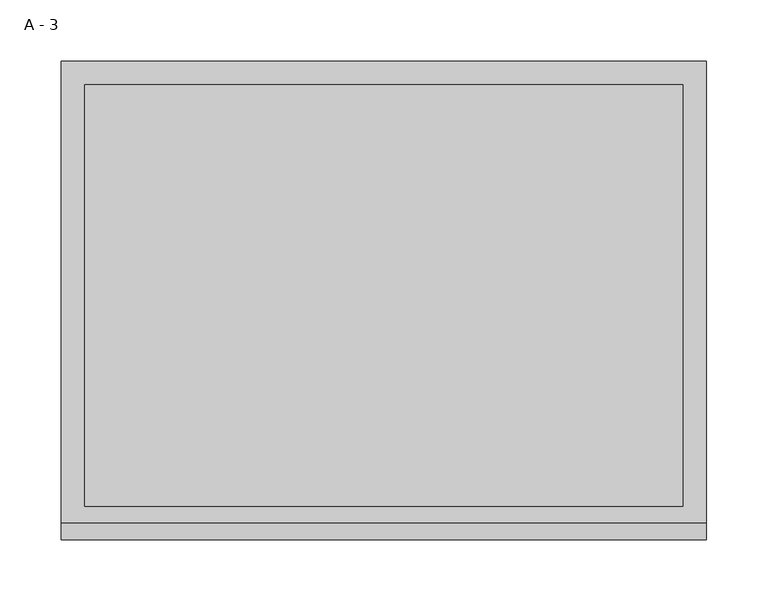
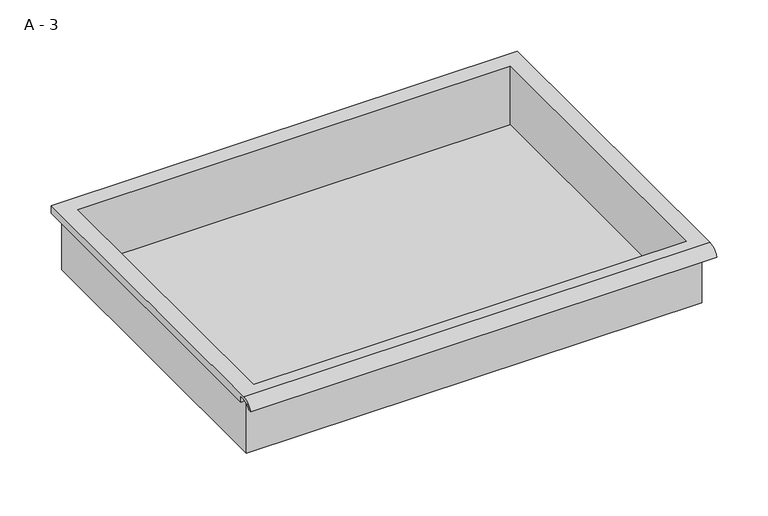
"""IFC4 building model written with IfcOpenShell, lengths in millimetres: furniture geometry, A - 3."""

from ifc_helpers import new_model, si_unit, frame, origin, place, context, project, spatial, polyline, circle_curve, source, transform, mapped, element, save
from ifc_brep_helpers import plane_surface, cylinder_surface, revolved_surface, advanced_brep


def a_3_74fe6751(model_context):
    return source(origin(), model_context, "Body", "AdvancedBrep", [
        advanced_brep(
        [(-257.1076517, -176.2125, 793.75), (257.2423483, -176.2125, 793.75), (257.2423483, -176.2125, 857.25), (263.5923483, -176.2125, 857.25), (263.5923483, -176.2125, 863.5571341), (-263.4576517, -176.2125, 863.5571341), (-263.4576517, -176.2125, 857.25), (-257.1076517, -176.2125, 857.25), (257.2423483, 185.7375, 793.75), (-257.1076517, 185.7375, 793.75), (-257.1076517, 185.7375, 857.25), (257.2423483, 185.7375, 857.25), (263.5923483, -181.6070544, 866.775), (263.5923483, 195.2625, 866.775), (-263.4576517, 195.2625, 866.775), (-263.4576517, -181.6070544, 866.775), (244.5423483, -168.275, 866.775), (-244.4076517, -168.275, 866.775), (-244.4076517, 176.2125, 866.775), (244.5423483, 176.2125, 866.775), (263.5923483, -195.2625, 857.25), (263.5923483, -191.8280601, 857.25), (263.5923483, -180.4714815, 863.5571341), (263.5923483, 195.2625, 857.25), (-263.4576517, 195.2625, 857.25), (-263.4576517, -180.4714815, 863.5571341), (-263.4576517, -191.8280601, 857.25), (-263.4576517, -195.2625, 857.25), (-244.4076517, -168.275, 796.7761719), (244.5423483, -168.275, 796.7761719), (244.5423483, 176.2125, 796.7761719), (-244.4076517, 176.2125, 796.7761719)],
        [
            (0, 1),
            (1, 2),
            (2, 3),
            (3, 4),
            (4, 5),
            (5, 6),
            (6, 7),
            (7, 0),
            (8, 9),
            (9, 10),
            (10, 11),
            (11, 8),
            (0, 9),
            (8, 1),
            (11, 2),
            (12, 13),
            (13, 14),
            (14, 15),
            (15, 12),
            (16, 17),
            (17, 18),
            (18, 19),
            (19, 16),
            (7, 10),
            (12, 20, circle_curve(frame((263.5923483, -181.6070544, 852.2239859), z_axis=(1.0, 0.0, 0.0), x_axis=(0.0, 1.0, 0.0)), 14.5510141)),
            (20, 21),
            (21, 22, circle_curve(frame((263.5923483, -181.6070544, 852.2239859), z_axis=(-1.0, 0.0, 0.0), x_axis=(0.0, 1.0, 0.0)), 11.3898979)),
            (22, 4),
            (3, 23),
            (23, 13),
            (14, 24),
            (24, 6),
            (5, 25),
            (25, 26, circle_curve(frame((-263.4576517, -181.6070544, 852.2239859), z_axis=(1.0, 0.0, 0.0), x_axis=(0.0, 1.0, 0.0)), 11.3898979)),
            (26, 27),
            (27, 15, circle_curve(frame((-263.4576517, -181.6070544, 852.2239859), z_axis=(-1.0, 0.0, 0.0), x_axis=(0.0, 1.0, 0.0)), 14.5510141)),
            (27, 20),
            (26, 21),
            (25, 22),
            (24, 23),
            (28, 29),
            (29, 30),
            (30, 31),
            (31, 28),
            (28, 17),
            (16, 29),
            (19, 30),
            (18, 31),
        ],
        [
            plane_surface(frame((257.2423483, -176.2125, 793.75), z_axis=(0.0, -1.0, 0.0), x_axis=(1.0, 0.0, 0.0))),
            plane_surface(frame((257.2423483, 185.7375, 793.75), z_axis=(0.0, 1.0, 0.0), x_axis=(-1.0, 0.0, 0.0))),
            plane_surface(frame((-257.1076517, -176.2125, 793.75), z_axis=(0.0, 0.0, -1.0), x_axis=(0.0, 1.0, 0.0))),
            plane_surface(frame((257.2423483, -176.2125, 793.75), z_axis=(1.0, 0.0, 0.0), x_axis=(0.0, 1.0, 0.0))),
            plane_surface(frame((257.2423483, -176.2125, 866.775), z_axis=(0.0, 0.0, 1.0), x_axis=(0.0, 1.0, 0.0))),
            plane_surface(frame((-257.1076517, -176.2125, 866.775), z_axis=(-1.0, 0.0, 0.0), x_axis=(0.0, 1.0, 0.0))),
            plane_surface(frame((263.5923483, 195.2625, 866.775), z_axis=(1.0, 0.0, 0.0), x_axis=(0.0, -1.0, 0.0))),
            plane_surface(frame((-263.4576517, 195.2625, 866.775), z_axis=(-1.0, 0.0, 0.0), x_axis=(0.0, 1.0, 0.0))),
            cylinder_surface(frame((-263.4576517, -181.6070544, 852.2239859), z_axis=(1.0, 0.0, 0.0), x_axis=(0.0, 1.0, 0.0)), 14.5510141),
            plane_surface(frame((263.5923483, -195.2625, 857.25), z_axis=(0.0, -7.251821180146059e-12, -1.0), x_axis=(-1.0, 0.0, 0.0))),
            revolved_surface(polyline([(-263.4576517, -170.21715650000002, 852.2239859), (263.59234829999997, -170.21715650000002, 852.2239859)]), (-263.4576517, -181.6070544, 852.2239859), (-1.0, 0.0, 0.0)),
            plane_surface(frame((263.5923483, -180.4714815, 863.5571341), z_axis=(0.0, -1.7988537739368317e-11, -1.0), x_axis=(-1.0, 0.0, 0.0))),
            plane_surface(frame((263.5923483, -176.2125, 857.25), z_axis=(0.0, 0.0, -1.0), x_axis=(-1.0, 0.0, 0.0))),
            plane_surface(frame((263.5923483, 195.2625, 857.25), z_axis=(0.0, 1.0, 0.0), x_axis=(-1.0, 0.0, 0.0))),
            plane_surface(frame((244.5423483, -168.275, 796.7761719), z_axis=(0.0, 0.0, 1.0), x_axis=(-1.0, 0.0, 0.0))),
            plane_surface(frame((-244.4076517, -168.275, 866.775), z_axis=(0.0, 1.0, 0.0), x_axis=(0.0, 0.0, -1.0))),
            plane_surface(frame((244.5423483, -168.275, 866.775), z_axis=(-1.0, 0.0, 0.0), x_axis=(0.0, 0.0, -1.0))),
            plane_surface(frame((244.5423483, 176.2125, 866.775), z_axis=(0.0, -1.0, 0.0), x_axis=(0.0, 0.0, -1.0))),
            plane_surface(frame((-244.4076517, 176.2125, 866.775), z_axis=(1.0, 0.0, 0.0), x_axis=(0.0, 0.0, -1.0))),
        ],
        [
            (0, [[1, 2, 3, 4, 5, 6, 7, 8]]),
            (1, [[9, 10, 11, 12]]),
            (2, [[-1, 13, -9, 14]]),
            (3, [[-14, -12, 15, -2]]),
            (4, [[16, 17, 18, 19], [20, 21, 22, 23]]),
            (5, [[-13, -8, 24, -10]]),
            (6, [[-16, 25, 26, 27, 28, -4, 29, 30]]),
            (7, [[31, 32, -6, 33, 34, 35, 36, -18]]),
            (8, [[-25, -19, -36, 37]]),
            (9, [[-26, -37, -35, 38]]),
            (10, [[-27, -38, -34, 39]]),
            (11, [[-28, -39, -33, -5]]),
            (12, [[-29, -3, -15, -11, -24, -7, -32, 40]]),
            (13, [[-30, -40, -31, -17]]),
            (14, [[41, 42, 43, 44]]),
            (15, [[-41, 45, -20, 46]]),
            (16, [[-42, -46, -23, 47]]),
            (17, [[-43, -47, -22, 48]]),
            (18, [[-44, -48, -21, -45]]),
        ],
    ),
    ])


if __name__ == "__main__":
    model = new_model("IFC4")
    model_context = context("Model", 3, world=origin())
    ifc_project = project(units=[si_unit("LENGTHUNIT", "METRE", prefix="MILLI")], contexts=[model_context])
    site = spatial("IfcSite", under=ifc_project)
    building = spatial("IfcBuilding", under=site)
    placement = place(None, origin())
    a_3_shape = a_3_74fe6751(model_context)
    element("IfcFurniture", 1, ObjectType="A - 3", at=placement, inside=building, context=model_context, shape_type="MappedRepresentation", body=[
        mapped(a_3_shape, transform((0.0, 0.0, 0.0), x_axis=(1.0, 0.0, 0.0), y_axis=(0.0, 1.0, 0.0), z_axis=(0.0, 0.0, 1.0))),
    ])
    save(model, "model.ifc")
